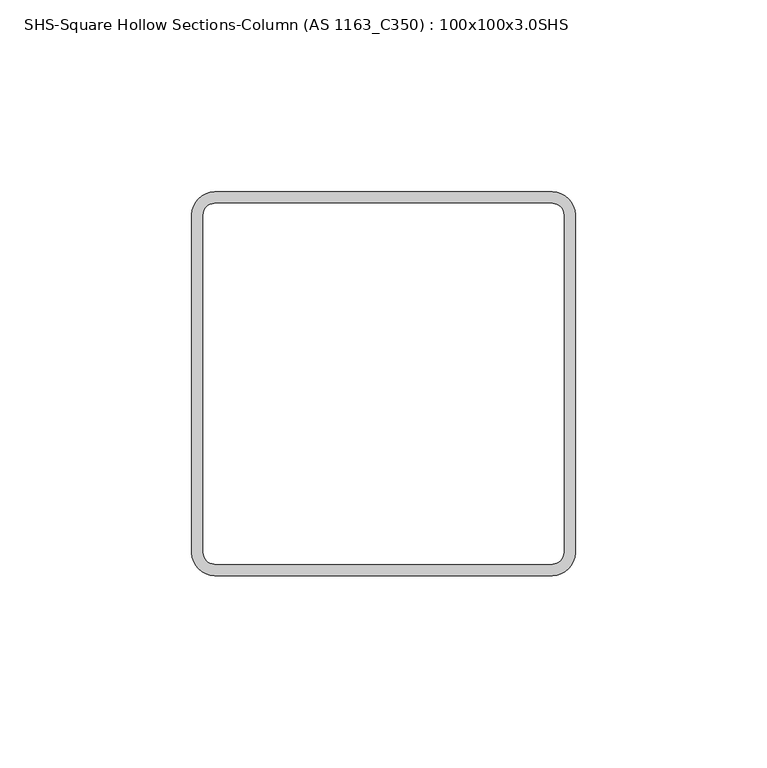
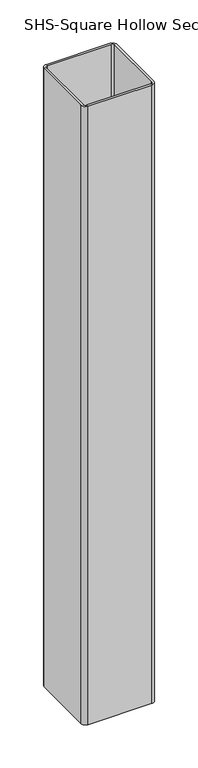
"""IFC4 building model written with IfcOpenShell, lengths in millimetres: column geometry, SHS-Square Hollow Sections-Column (AS 1163_C350) : 100x100x3.0SHS."""

from ifc_helpers import new_model, si_unit, point, frame, frame_2d, origin, place, context, project, spatial, polyline, circle_curve, trimmed, segment, composite_curve, outline, extrude, source, transform, mapped, element, save


def shs_square_hollow_sections_column_as_1163_c350_100x100x3_b2e7186b(model_context):
    return source(origin(), model_context, "Body", "SweptSolid", [
        extrude(outline(composite_curve([segment(trimmed(circle_curve(frame_2d((44.0, 44.0)), 6.0), [point((44.0, 50.0))], [point((50.0, 44.0))], False, "CARTESIAN"), True, "CONTINUOUS"), segment(polyline([(50.0, 44.0), (50.0, -44.0)]), True, "CONTINUOUS"), segment(trimmed(circle_curve(frame_2d((44.0, -44.0)), 6.0), [point((50.0, -44.0))], [point((44.0, -50.0))], False, "CARTESIAN"), True, "CONTINUOUS"), segment(polyline([(44.0, -50.0), (-44.0, -50.0)]), True, "CONTINUOUS"), segment(trimmed(circle_curve(frame_2d((-44.0, -44.0)), 6.0), [point((-44.0, -50.0))], [point((-50.0, -44.0))], False, "CARTESIAN"), True, "CONTINUOUS"), segment(polyline([(-50.0, -44.0), (-50.0, 44.0)]), True, "CONTINUOUS"), segment(trimmed(circle_curve(frame_2d((-44.0, 44.0)), 6.0), [point((-50.0, 44.0))], [point((-44.0, 50.0))], False, "CARTESIAN"), True, "CONTINUOUS"), segment(polyline([(-44.0, 50.0), (44.0, 50.0)]), True, "CONTINUOUS")], self_intersect=False), holes=[composite_curve([segment(polyline([(44.0, 47.0), (-44.0, 47.0)]), True, "CONTINUOUS"), segment(trimmed(circle_curve(frame_2d((-44.0, 44.0)), 3.0), [point((-44.0, 47.0))], [point((-47.0, 44.0))], True, "CARTESIAN"), True, "CONTINUOUS"), segment(polyline([(-47.0, 44.0), (-47.0, -44.0)]), True, "CONTINUOUS"), segment(trimmed(circle_curve(frame_2d((-44.0, -44.0)), 3.0), [point((-47.0, -44.0))], [point((-44.0, -47.0))], True, "CARTESIAN"), True, "CONTINUOUS"), segment(polyline([(-44.0, -47.0), (44.0, -47.0)]), True, "CONTINUOUS"), segment(trimmed(circle_curve(frame_2d((44.0, -44.0)), 3.0), [point((44.0, -47.0))], [point((47.0, -44.0))], True, "CARTESIAN"), True, "CONTINUOUS"), segment(polyline([(47.0, -44.0), (47.0, 44.0)]), True, "CONTINUOUS"), segment(trimmed(circle_curve(frame_2d((44.0, 44.0)), 3.0), [point((47.0, 44.0))], [point((44.0, 47.0))], True, "CARTESIAN"), True, "CONTINUOUS")], self_intersect=False)]), frame((0.0, 0.0, -400.0), z_axis=(0.0, 0.0, 1.0), x_axis=(1.0, 0.0, 0.0)), (0.0, 0.0, 1.0), 900.0),
    ])


if __name__ == "__main__":
    model = new_model("IFC4")
    model_context = context("Model", 3, world=origin())
    ifc_project = project(units=[si_unit("LENGTHUNIT", "METRE", prefix="MILLI")], contexts=[model_context])
    site = spatial("IfcSite", under=ifc_project)
    building = spatial("IfcBuilding", under=site)
    placement = place(None, origin())
    shs_square_hollow_sections_column_as_1163_c350_100x100x3_shape = shs_square_hollow_sections_column_as_1163_c350_100x100x3_b2e7186b(model_context)
    element("IfcColumn", 1, ObjectType="SHS-Square Hollow Sections-Column (AS 1163_C350) : 100x100x3.0SHS", at=placement, inside=building, context=model_context, shape_type="MappedRepresentation", body=[
        mapped(shs_square_hollow_sections_column_as_1163_c350_100x100x3_shape, transform((0.0, 0.0, 0.0), x_axis=(1.0, 0.0, 0.0), y_axis=(0.0, 1.0, 0.0), z_axis=(0.0, 0.0, 1.0))),
    ])
    save(model, "model.ifc")
